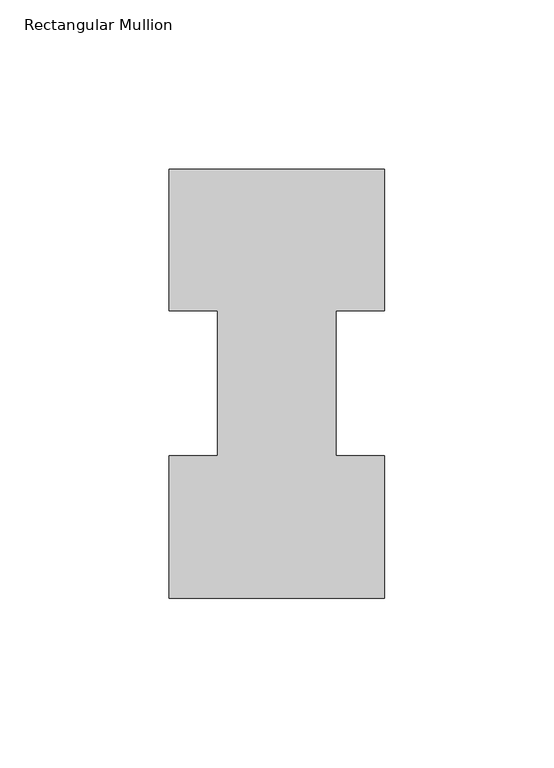
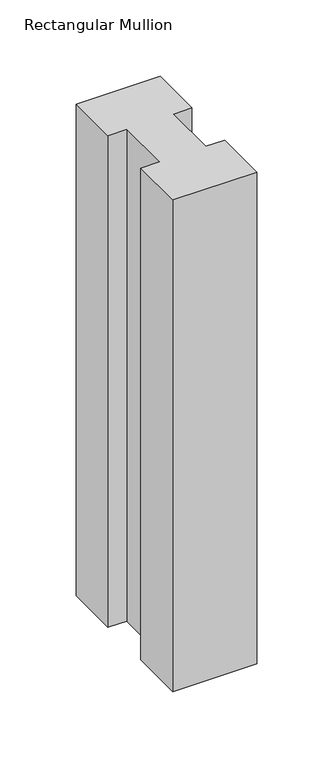
"""IFC4 building model written with IfcOpenShell, lengths in millimetres: member geometry, Rectangular Mullion."""

import ifcopenshell
import ifcopenshell.guid

model = None  # the IFC model being written
_history = None  # IfcOwnerHistory: only IFC2X3 demands one
_inside = {}  # id of a spatial element -> (the spatial element, [elements in it])
_under = {}  # id of a project, library or spatial element -> (it, [spatial elements below it])
_declared = {}  # id of a project -> (the project, [libraries it declares])
_typed = {}  # id of a type object -> (the type object, [elements of that type])
_made_of = {}  # id of a material, layer set ... -> (it, [elements and type objects made of it])


def new_model(schema):
    """Start an empty IFC model of exactly this schema.

    Asked for "IFC4X3", IfcOpenShell would pick the latest addendum, in which some entities
    have other attributes; the version numbers below select the first issue.
    IFC2X3 requires an IfcOwnerHistory on every rooted entity: one is made here for all.
    """
    global model, _history
    if schema == "IFC4X3":
        model = ifcopenshell.file(schema_version=(4, 3, 0, 0))
    else:
        model = ifcopenshell.file(schema=schema)
    _inside.clear()
    _under.clear()
    _declared.clear()
    _typed.clear()
    _made_of.clear()
    _history = None
    if model.schema == "IFC2X3":
        org = make("IfcOrganization", Name="unknown")
        user = make(
            "IfcPersonAndOrganization",
            ThePerson=make("IfcPerson", FamilyName="unknown"),
            TheOrganization=org,
        )
        app = make(
            "IfcApplication",
            ApplicationDeveloper=org,
            Version="unknown",
            ApplicationFullName="unknown",
            ApplicationIdentifier="unknown",
        )
        _history = make(
            "IfcOwnerHistory",
            OwningUser=user,
            OwningApplication=app,
            ChangeAction="ADDED",
            CreationDate=0,
        )
    return model


def make(cls, **values):
    """One entity of the class cls with the attributes given. An attribute that is None is left unset."""
    return model.create_entity(
        cls, **{name: value for name, value in values.items() if value is not None}
    )


def rooted(cls, **values):
    """An entity with a GlobalId (a new one), such as an element, a storey or a relation."""
    return make(cls, GlobalId=ifcopenshell.guid.new(), OwnerHistory=_history, **values)


def si_unit(unit_type, name, prefix=None):
    """IfcSIUnit, for example si_unit("LENGTHUNIT", "METRE", prefix="MILLI")."""
    return make("IfcSIUnit", UnitType=unit_type, Prefix=prefix, Name=name)


def assignment(units):
    """IfcUnitAssignment: the units of a project."""
    return None if units is None else make("IfcUnitAssignment", Units=units)


def point(xyz):
    """IfcCartesianPoint."""
    return None if xyz is None else make("IfcCartesianPoint", Coordinates=xyz)


def direction(xyz):
    """IfcDirection."""
    return None if xyz is None else make("IfcDirection", DirectionRatios=xyz)


def frame(location, z_axis=None, x_axis=None):
    """IfcAxis2Placement3D, a coordinate frame: its origin and axes. An axis left out is left unset."""
    return make(
        "IfcAxis2Placement3D",
        Location=point(location),
        Axis=direction(z_axis),
        RefDirection=direction(x_axis),
    )


def origin():
    """The frame at (0, 0, 0) with its axes left unset."""
    return frame((0.0, 0.0, 0.0))


def place(relative_to, where):
    """IfcLocalPlacement: puts the frame where relative to a parent placement (None: the world)."""
    return make(
        "IfcLocalPlacement", PlacementRelTo=relative_to, RelativePlacement=where
    )


def context(
    kind, dimensions, precision=None, world=None, true_north=None, identifier=None
):
    """IfcGeometricRepresentationContext, for example the 3D "Model" context."""
    return make(
        "IfcGeometricRepresentationContext",
        ContextIdentifier=identifier,
        ContextType=kind,
        CoordinateSpaceDimension=dimensions,
        Precision=precision,
        WorldCoordinateSystem=world,
        TrueNorth=true_north,
    )


def project(units=None, contexts=None):
    """IfcProject with its units and contexts."""
    return rooted(
        "IfcProject",
        Name="project",
        RepresentationContexts=contexts,
        UnitsInContext=assignment(units),
    )


def spatial(cls, under=None, at=None, **own):
    """A site, building, storey or space (cls), placed at a placement, below another one or the project."""
    s = rooted(cls, ObjectPlacement=at, **own)
    if under is not None:
        _under.setdefault(under.id(), (under, []))[1].append(s)
    return s


def polyline(points):
    """IfcPolyline through the points."""
    return make("IfcPolyline", Points=[point(p) for p in points])


def outline(outer, holes=None, kind="AREA"):
    """IfcArbitraryClosedProfileDef: a profile drawn as a closed curve; with holes, ...WithVoids."""
    if holes is None:
        return make("IfcArbitraryClosedProfileDef", ProfileType=kind, OuterCurve=outer)
    return make(
        "IfcArbitraryProfileDefWithVoids",
        ProfileType=kind,
        OuterCurve=outer,
        InnerCurves=holes,
    )


def extrude(swept, where, along, depth):
    """IfcExtrudedAreaSolid: the profile swept, set in the frame where, extruded along a direction by depth."""
    return make(
        "IfcExtrudedAreaSolid",
        SweptArea=swept,
        Position=where,
        ExtrudedDirection=direction(along),
        Depth=depth,
    )


def shape(context_of_items, identifier, shape_type, items):
    """IfcShapeRepresentation: the items that make up one representation, for example the "Body"."""
    return make(
        "IfcShapeRepresentation",
        ContextOfItems=context_of_items,
        RepresentationIdentifier=identifier,
        RepresentationType=shape_type,
        Items=items,
    )


def source(mapping_origin, context_of_items, identifier, shape_type, items):
    """IfcRepresentationMap: a shape defined once, which mapped items show again and again."""
    return make(
        "IfcRepresentationMap",
        MappingOrigin=mapping_origin,
        MappedRepresentation=shape(context_of_items, identifier, shape_type, items),
    )


def transform(
    local_origin,
    x_axis=None,
    y_axis=None,
    z_axis=None,
    scale=None,
    scale2=None,
    scale3=None,
    uniform=True,
):
    """IfcCartesianTransformationOperator3D, or its non-uniform kind. x_axis, y_axis, z_axis: its Axis1, 2, 3."""
    if uniform:
        return make(
            "IfcCartesianTransformationOperator3D",
            Axis1=direction(x_axis),
            Axis2=direction(y_axis),
            LocalOrigin=point(local_origin),
            Scale=scale,
            Axis3=direction(z_axis),
        )
    return make(
        "IfcCartesianTransformationOperator3DnonUniform",
        Axis1=direction(x_axis),
        Axis2=direction(y_axis),
        LocalOrigin=point(local_origin),
        Scale=scale,
        Axis3=direction(z_axis),
        Scale2=scale2,
        Scale3=scale3,
    )


def mapped(mapping_source, mapping_target):
    """IfcMappedItem: shows the shape of a source again, moved by a transform."""
    return make(
        "IfcMappedItem", MappingSource=mapping_source, MappingTarget=mapping_target
    )


def made_of(thing, what):
    """Note that an element or type object is made of a material, layer set ...; save() writes the relation."""
    if what is not None:
        _made_of.setdefault(what.id(), (what, []))[1].append(thing)
    return thing


def element(
    cls,
    number,
    at=None,
    inside=None,
    cuts=None,
    type_object=None,
    material=None,
    context=None,
    identifier="Body",
    shape_type=None,
    held_by="IfcProductDefinitionShape",
    body=None,
    shapes=None,
    **own,
):
    """One element of the class cls, such as IfcWall. Its Tag is "e" and its number.

    at: its placement. inside: the storey or other place that contains it. cuts: it is an
    opening in that element (IfcRelVoidsElement). A single representation is given by context,
    identifier, shape_type and body (its items); several are given by shapes. held_by: the class
    of the entity that holds the representations. save() writes the other relations.
    """
    e = rooted(cls, Tag="e%d" % number, ObjectPlacement=at, **own)
    if body is not None:
        shapes = [shape(context, identifier, shape_type, body)]
    if shapes is not None:
        e.Representation = make(held_by, Representations=shapes)
    if inside is not None:
        _inside.setdefault(inside.id(), (inside, []))[1].append(e)
    if cuts is not None:
        rooted(
            "IfcRelVoidsElement", RelatingBuildingElement=cuts, RelatedOpeningElement=e
        )
    if type_object is not None:
        _typed.setdefault(type_object.id(), (type_object, []))[1].append(e)
    return made_of(e, material)


def aggregate(whole, parts):
    """IfcRelAggregates: a whole, such as a stair, and the parts it consists of."""
    return rooted("IfcRelAggregates", RelatingObject=whole, RelatedObjects=parts)


def save(model, path):
    """Write the relations noted so far, then the file.

    IfcRelAggregates (storeys below a building ...), IfcRelContainedInSpatialStructure (elements
    in a storey), IfcRelDefinesByType, IfcRelAssociatesMaterial and IfcRelDeclares: one each for
    every whole, place, type object, material and project.
    """
    for whole, parts in _under.values():
        aggregate(whole, parts)
    for where, things in _inside.values():
        rooted(
            "IfcRelContainedInSpatialStructure",
            RelatedElements=things,
            RelatingStructure=where,
        )
    for kind, things in _typed.values():
        rooted("IfcRelDefinesByType", RelatedObjects=things, RelatingType=kind)
    for what, things in _made_of.values():
        rooted("IfcRelAssociatesMaterial", RelatedObjects=things, RelatingMaterial=what)
    for by, libraries in _declared.values():
        rooted("IfcRelDeclares", RelatingContext=by, RelatedDefinitions=libraries)
    model.write(path)


def rectangular_mullion_7c0e9133(model_context):
    return source(origin(), model_context, "Body", "SweptSolid", [
        extrude(outline(polyline([(0.0, 126.7348875), (0.0, 85.1296875), (-14.2748, 85.1296875), (-14.2748, 42.2798875), (0.0, 42.2798875), (0.0, 0.2428875), (-63.5, 0.2428875), (-63.5, 42.2798875), (-49.2125, 42.2798875), (-49.2125, 85.1296875), (-63.5, 85.1296875), (-63.5, 126.7348875), (0.0, 126.7348875)])), frame((0.0, 0.0, -393.7), z_axis=(0.0, 0.0, 1.0), x_axis=(1.0, 0.0, 0.0)), (0.0, 0.0, 1.0), 393.7),
    ])


if __name__ == "__main__":
    model = new_model("IFC4")
    model_context = context("Model", 3, world=origin())
    ifc_project = project(units=[si_unit("LENGTHUNIT", "METRE", prefix="MILLI")], contexts=[model_context])
    site = spatial("IfcSite", under=ifc_project)
    building = spatial("IfcBuilding", under=site)
    placement = place(None, origin())
    rectangular_mullion_shape = rectangular_mullion_7c0e9133(model_context)
    element("IfcMember", 1, ObjectType="Rectangular Mullion", at=placement, inside=building, context=model_context, shape_type="MappedRepresentation", body=[
        mapped(rectangular_mullion_shape, transform((0.0, 0.0, 0.0), x_axis=(1.0, 0.0, 0.0), y_axis=(0.0, 1.0, 0.0), z_axis=(0.0, 0.0, 1.0))),
    ])
    save(model, "model.ifc")
